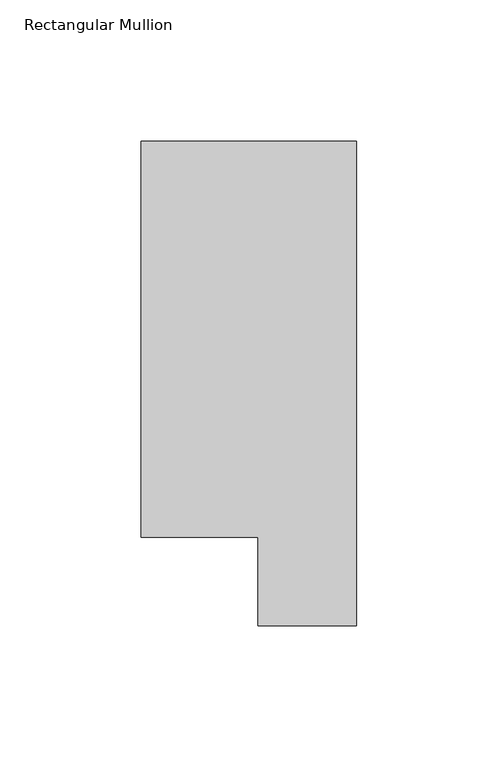
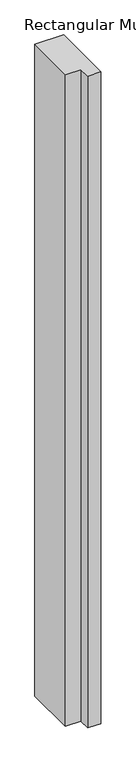
"""IFC4 building model written with IfcOpenShell, lengths in millimetres: member geometry, Rectangular Mullion."""

from ifc_helpers import new_model, si_unit, frame, origin, place, context, project, spatial, polyline, outline, extrude, source, transform, mapped, element, save


def rectangular_mullion_d30da548(model_context):
    return source(origin(), model_context, "Body", "SweptSolid", [
        extrude(outline(polyline([(-76.2, 190.7881317), (0.0, 190.7881317), (0.0, 19.5667317), (-34.9123, 19.5667317), (-34.9123, 50.8087306), (-76.2, 50.8087306), (-76.2, 190.7881317)])), frame((0.0, 0.0, -1828.8), z_axis=(0.0, 0.0, 1.0), x_axis=(1.0, 0.0, 0.0)), (0.0, 0.0, 1.0), 1828.8),
    ])


if __name__ == "__main__":
    model = new_model("IFC4")
    model_context = context("Model", 3, world=origin())
    ifc_project = project(units=[si_unit("LENGTHUNIT", "METRE", prefix="MILLI")], contexts=[model_context])
    site = spatial("IfcSite", under=ifc_project)
    building = spatial("IfcBuilding", under=site)
    placement = place(None, origin())
    rectangular_mullion_shape = rectangular_mullion_d30da548(model_context)
    element("IfcMember", 1, ObjectType="Rectangular Mullion", at=placement, inside=building, context=model_context, shape_type="MappedRepresentation", body=[
        mapped(rectangular_mullion_shape, transform((0.0, 0.0, 0.0), x_axis=(1.0, 0.0, 0.0), y_axis=(0.0, 1.0, 0.0), z_axis=(0.0, 0.0, 1.0))),
    ])
    save(model, "model.ifc")
